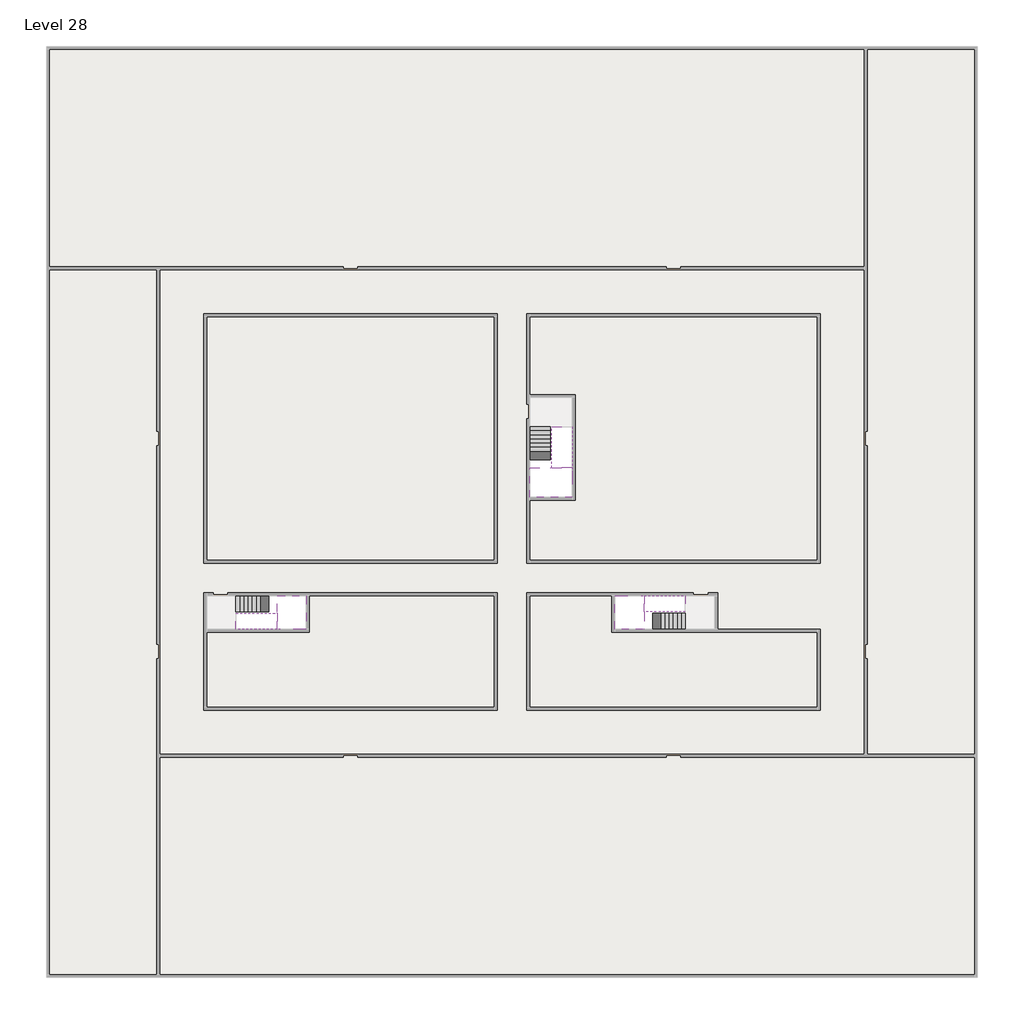
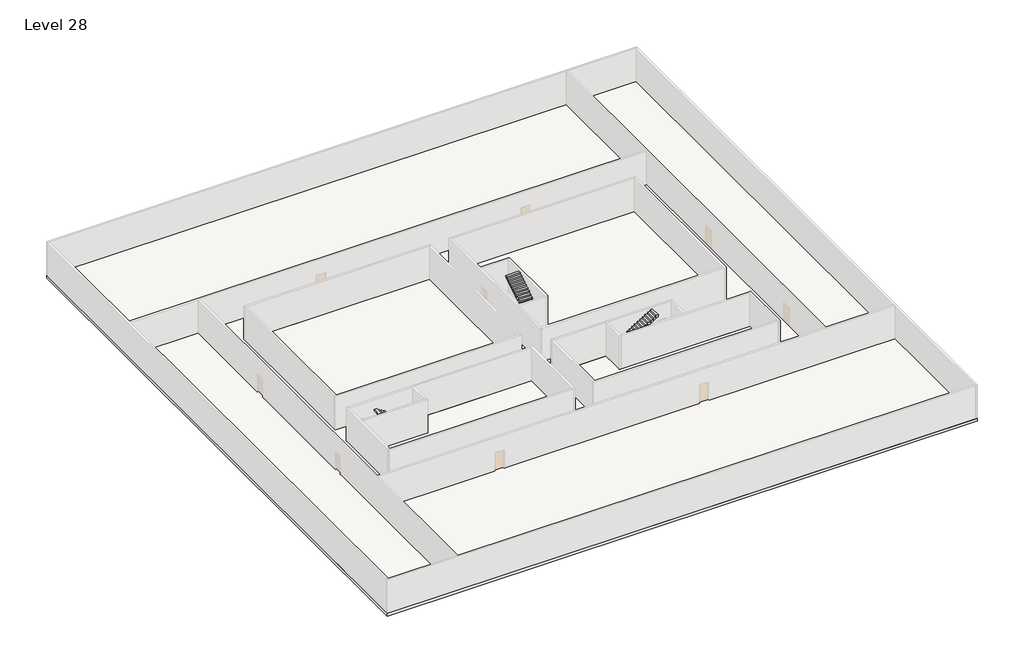
# One storey, part 2 of 2: 6 stair flights, 5 slabs.
"""IFC4 building model written with IfcOpenShell, lengths in millimetres."""

import ifcopenshell
import ifcopenshell.guid

model = None  # the IFC model being written
_history = None  # IfcOwnerHistory: only IFC2X3 demands one
_inside = {}  # id of a spatial element -> (the spatial element, [elements in it])
_under = {}  # id of a project, library or spatial element -> (it, [spatial elements below it])
_declared = {}  # id of a project -> (the project, [libraries it declares])
_typed = {}  # id of a type object -> (the type object, [elements of that type])
_made_of = {}  # id of a material, layer set ... -> (it, [elements and type objects made of it])


def new_model(schema):
    """Start an empty IFC model of exactly this schema.

    Asked for "IFC4X3", IfcOpenShell would pick the latest addendum, in which some entities
    have other attributes; the version numbers below select the first issue.
    IFC2X3 requires an IfcOwnerHistory on every rooted entity: one is made here for all.
    """
    global model, _history
    if schema == "IFC4X3":
        model = ifcopenshell.file(schema_version=(4, 3, 0, 0))
    else:
        model = ifcopenshell.file(schema=schema)
    _inside.clear()
    _under.clear()
    _declared.clear()
    _typed.clear()
    _made_of.clear()
    _history = None
    if model.schema == "IFC2X3":
        org = make("IfcOrganization", Name="unknown")
        user = make(
            "IfcPersonAndOrganization",
            ThePerson=make("IfcPerson", FamilyName="unknown"),
            TheOrganization=org,
        )
        app = make(
            "IfcApplication",
            ApplicationDeveloper=org,
            Version="unknown",
            ApplicationFullName="unknown",
            ApplicationIdentifier="unknown",
        )
        _history = make(
            "IfcOwnerHistory",
            OwningUser=user,
            OwningApplication=app,
            ChangeAction="ADDED",
            CreationDate=0,
        )
    return model


def make(cls, **values):
    """One entity of the class cls with the attributes given. An attribute that is None is left unset."""
    return model.create_entity(
        cls, **{name: value for name, value in values.items() if value is not None}
    )


def rooted(cls, **values):
    """An entity with a GlobalId (a new one), such as an element, a storey or a relation."""
    return make(cls, GlobalId=ifcopenshell.guid.new(), OwnerHistory=_history, **values)


def si_unit(unit_type, name, prefix=None):
    """IfcSIUnit, for example si_unit("LENGTHUNIT", "METRE", prefix="MILLI")."""
    return make("IfcSIUnit", UnitType=unit_type, Prefix=prefix, Name=name)


def assignment(units):
    """IfcUnitAssignment: the units of a project."""
    return None if units is None else make("IfcUnitAssignment", Units=units)


def point(xyz):
    """IfcCartesianPoint."""
    return None if xyz is None else make("IfcCartesianPoint", Coordinates=xyz)


def direction(xyz):
    """IfcDirection."""
    return None if xyz is None else make("IfcDirection", DirectionRatios=xyz)


def frame(location, z_axis=None, x_axis=None):
    """IfcAxis2Placement3D, a coordinate frame: its origin and axes. An axis left out is left unset."""
    return make(
        "IfcAxis2Placement3D",
        Location=point(location),
        Axis=direction(z_axis),
        RefDirection=direction(x_axis),
    )


def origin():
    """The frame at (0, 0, 0) with its axes left unset."""
    return frame((0.0, 0.0, 0.0))


def place(relative_to, where):
    """IfcLocalPlacement: puts the frame where relative to a parent placement (None: the world)."""
    return make(
        "IfcLocalPlacement", PlacementRelTo=relative_to, RelativePlacement=where
    )


def context(
    kind, dimensions, precision=None, world=None, true_north=None, identifier=None
):
    """IfcGeometricRepresentationContext, for example the 3D "Model" context."""
    return make(
        "IfcGeometricRepresentationContext",
        ContextIdentifier=identifier,
        ContextType=kind,
        CoordinateSpaceDimension=dimensions,
        Precision=precision,
        WorldCoordinateSystem=world,
        TrueNorth=true_north,
    )


def project(units=None, contexts=None):
    """IfcProject with its units and contexts."""
    return rooted(
        "IfcProject",
        Name="project",
        RepresentationContexts=contexts,
        UnitsInContext=assignment(units),
    )


def spatial(cls, under=None, at=None, **own):
    """A site, building, storey or space (cls), placed at a placement, below another one or the project."""
    s = rooted(cls, ObjectPlacement=at, **own)
    if under is not None:
        _under.setdefault(under.id(), (under, []))[1].append(s)
    return s


def polyline(points):
    """IfcPolyline through the points."""
    return make("IfcPolyline", Points=[point(p) for p in points])


def outline(outer, holes=None, kind="AREA"):
    """IfcArbitraryClosedProfileDef: a profile drawn as a closed curve; with holes, ...WithVoids."""
    if holes is None:
        return make("IfcArbitraryClosedProfileDef", ProfileType=kind, OuterCurve=outer)
    return make(
        "IfcArbitraryProfileDefWithVoids",
        ProfileType=kind,
        OuterCurve=outer,
        InnerCurves=holes,
    )


def extrude(swept, where, along, depth):
    """IfcExtrudedAreaSolid: the profile swept, set in the frame where, extruded along a direction by depth."""
    return make(
        "IfcExtrudedAreaSolid",
        SweptArea=swept,
        Position=where,
        ExtrudedDirection=direction(along),
        Depth=depth,
    )


def faces_of(points, faces, orient=None, outer=None):
    """IfcFace entities. A face is a list of loops; a loop is a list of indices into points, from 0.

    orient and outer hold one flag for each loop. By default every Orientation is true, the
    first loop of a face is its IfcFaceOuterBound and the others are IfcFaceBound.
    """
    made = []
    for i, loops in enumerate(faces):
        bounds = []
        for j, loop in enumerate(loops):
            is_outer = j == 0 if outer is None else outer[i][j]
            bounds.append(
                make(
                    "IfcFaceOuterBound" if is_outer else "IfcFaceBound",
                    Bound=make("IfcPolyLoop", Polygon=[points[k] for k in loop]),
                    Orientation=True if orient is None else orient[i][j],
                )
            )
        made.append(make("IfcFace", Bounds=bounds))
    return made


def faceted_brep(points, faces, orient=None, outer=None, voids=None):
    """IfcFacetedBrep: a solid bounded by flat faces; with voids (closed shells), ...WithVoids."""
    shared = [point(p) for p in points]
    hull = make("IfcClosedShell", CfsFaces=faces_of(shared, faces, orient, outer))
    if voids is None:
        return make("IfcFacetedBrep", Outer=hull)
    return make(
        "IfcFacetedBrepWithVoids",
        Outer=hull,
        Voids=[
            make(cls, CfsFaces=faces_of(shared, fs, o, b)) for cls, fs, o, b in voids
        ],
    )


def shape(context_of_items, identifier, shape_type, items):
    """IfcShapeRepresentation: the items that make up one representation, for example the "Body"."""
    return make(
        "IfcShapeRepresentation",
        ContextOfItems=context_of_items,
        RepresentationIdentifier=identifier,
        RepresentationType=shape_type,
        Items=items,
    )


def made_of(thing, what):
    """Note that an element or type object is made of a material, layer set ...; save() writes the relation."""
    if what is not None:
        _made_of.setdefault(what.id(), (what, []))[1].append(thing)
    return thing


def element(
    cls,
    number,
    at=None,
    inside=None,
    cuts=None,
    type_object=None,
    material=None,
    context=None,
    identifier="Body",
    shape_type=None,
    held_by="IfcProductDefinitionShape",
    body=None,
    shapes=None,
    **own,
):
    """One element of the class cls, such as IfcWall. Its Tag is "e" and its number.

    at: its placement. inside: the storey or other place that contains it. cuts: it is an
    opening in that element (IfcRelVoidsElement). A single representation is given by context,
    identifier, shape_type and body (its items); several are given by shapes. held_by: the class
    of the entity that holds the representations. save() writes the other relations.
    """
    e = rooted(cls, Tag="e%d" % number, ObjectPlacement=at, **own)
    if body is not None:
        shapes = [shape(context, identifier, shape_type, body)]
    if shapes is not None:
        e.Representation = make(held_by, Representations=shapes)
    if inside is not None:
        _inside.setdefault(inside.id(), (inside, []))[1].append(e)
    if cuts is not None:
        rooted(
            "IfcRelVoidsElement", RelatingBuildingElement=cuts, RelatedOpeningElement=e
        )
    if type_object is not None:
        _typed.setdefault(type_object.id(), (type_object, []))[1].append(e)
    return made_of(e, material)


def aggregate(whole, parts):
    """IfcRelAggregates: a whole, such as a stair, and the parts it consists of."""
    return rooted("IfcRelAggregates", RelatingObject=whole, RelatedObjects=parts)


def save(model, path):
    """Write the relations noted so far, then the file.

    IfcRelAggregates (storeys below a building ...), IfcRelContainedInSpatialStructure (elements
    in a storey), IfcRelDefinesByType, IfcRelAssociatesMaterial and IfcRelDeclares: one each for
    every whole, place, type object, material and project.
    """
    for whole, parts in _under.values():
        aggregate(whole, parts)
    for where, things in _inside.values():
        rooted(
            "IfcRelContainedInSpatialStructure",
            RelatedElements=things,
            RelatingStructure=where,
        )
    for kind, things in _typed.values():
        rooted("IfcRelDefinesByType", RelatedObjects=things, RelatingType=kind)
    for what, things in _made_of.values():
        rooted("IfcRelAssociatesMaterial", RelatedObjects=things, RelatingMaterial=what)
    for by, libraries in _declared.values():
        rooted("IfcRelDeclares", RelatingContext=by, RelatedDefinitions=libraries)
    model.write(path)


model = new_model("IFC4")

# Units and contexts
model_context = context("Model", 3, world=origin())
ifc_project = project(units=[si_unit("LENGTHUNIT", "METRE", prefix="MILLI")], contexts=[model_context])

# Site, building, storey
site = spatial("IfcSite", under=ifc_project)
building = spatial("IfcBuilding", under=site)
storey = spatial("IfcBuildingStorey", under=building, Name="Level 28", Elevation=102600.0)

# Slabs
placement = place(None, origin())
element("IfcSlab", 1, at=placement, inside=storey, context=model_context, shape_type="Brep", body=[
    faceted_brep([(8190.1058784, -42918.09644, 104500.0), (8190.1058784, -44018.09644, 104500.0), (8190.1058784, -44118.09644, 104500.0), (8190.1058784, -45218.09644, 104500.0), (8390.7194421, -45218.09644, 104500.0), (10190.1058784, -45218.09644, 104500.0), (10190.1058784, -42918.09644, 104500.0), (8269.4923146, -42918.09644, 104500.0), (8190.1058784, -42918.09644, 104327.2727273), (8190.1058784, -42918.09644, 104151.0278478), (8190.1058784, -44018.09644, 104151.0278478), (8190.1058784, -44018.09644, 104200.0), (8190.1058784, -44118.09644, 104200.0), (8190.1058784, -44118.09644, 104323.7551205), (8190.1058784, -45218.09644, 104323.7551205), (8390.7194421, -45218.09644, 104200.0), (10190.1058784, -45218.09644, 104200.0), (10190.1058784, -42918.09644, 104200.0), (8269.4923146, -42918.09644, 104200.0), (8390.7194421, -44118.09644, 104200.0), (8269.4923146, -44018.09644, 104200.0)], [[[0, 1, 2, 3, 4, 5, 6, 7]], [[1, 0, 8, 9, 10, 11]], [[2, 1, 11, 12, 13]], [[3, 2, 13, 14]], [[3, 14, 15, 16, 5, 4]], [[6, 5, 16, 17]], [[9, 8, 0, 7, 6, 17, 18]], [[19, 12, 11, 20, 18, 17, 16, 15]], [[12, 19, 13]], [[18, 20, 10, 9]], [[20, 11, 10]], [[19, 15, 14, 13]]]),
])
element("IfcSlab", 2, at=placement, inside=storey, context=model_context, shape_type="Brep", body=[
    faceted_brep([(33190.1058784, -45218.09644, 104500.0), (33190.1058784, -44118.09644, 104500.0), (33190.1058784, -44018.09644, 104500.0), (33190.1058784, -42918.09644, 104500.0), (32989.4923146, -42918.09644, 104500.0), (31190.1058784, -42918.09644, 104500.0), (31190.1058784, -45218.09644, 104500.0), (33110.7194421, -45218.09644, 104500.0), (33190.1058784, -45218.09644, 104327.2727273), (33190.1058784, -45218.09644, 104151.0278478), (33190.1058784, -44118.09644, 104151.0278478), (33190.1058784, -44118.09644, 104200.0), (33190.1058784, -44018.09644, 104200.0), (33190.1058784, -44018.09644, 104323.7551205), (33190.1058784, -42918.09644, 104323.7551205), (32989.4923146, -42918.09644, 104200.0), (31190.1058784, -42918.09644, 104200.0), (31190.1058784, -45218.09644, 104200.0), (33110.7194421, -45218.09644, 104200.0), (32989.4923146, -44018.09644, 104200.0), (33110.7194421, -44118.09644, 104200.0)], [[[0, 1, 2, 3, 4, 5, 6, 7]], [[1, 0, 8, 9, 10, 11]], [[2, 1, 11, 12, 13]], [[3, 2, 13, 14]], [[3, 14, 15, 16, 5, 4]], [[6, 5, 16, 17]], [[9, 8, 0, 7, 6, 17, 18]], [[19, 12, 11, 20, 18, 17, 16, 15]], [[12, 19, 13]], [[18, 20, 10, 9]], [[20, 11, 10]], [[19, 15, 14, 13]]]),
])
element("IfcSlab", 3, at=placement, inside=storey, context=model_context, shape_type="Brep", body=[
    faceted_brep([(26790.1058784, -34218.09644, 104500.0), (25390.1058784, -34218.09644, 104500.0), (25390.1058784, -34297.4828763, 104500.0), (25390.1058784, -36218.09644, 104500.0), (28290.1058784, -36218.09644, 104500.0), (28290.1058784, -34418.7100038, 104500.0), (28290.1058784, -34218.09644, 104500.0), (26890.1058784, -34218.09644, 104500.0), (26790.1058784, -34218.09644, 104200.0), (26790.1058784, -34218.09644, 104151.0278478), (25390.1058784, -34218.09644, 104151.0278478), (25390.1058784, -34218.09644, 104327.2727273), (25390.1058784, -34297.4828763, 104200.0), (25390.1058784, -36218.09644, 104200.0), (28290.1058784, -36218.09644, 104200.0), (28290.1058784, -34418.7100038, 104200.0), (28290.1058784, -34218.09644, 104323.7551205), (26890.1058784, -34218.09644, 104323.7551205), (26890.1058784, -34218.09644, 104200.0), (26890.1058784, -34418.7100038, 104200.0), (26790.1058784, -34297.4828763, 104200.0)], [[[0, 1, 2, 3, 4, 5, 6, 7]], [[1, 0, 8, 9, 10, 11]], [[1, 11, 10, 12, 13, 3, 2]], [[4, 3, 13, 14]], [[4, 14, 15, 16, 6, 5]], [[7, 6, 16, 17]], [[0, 7, 17, 18, 8]], [[18, 19, 15, 14, 13, 12, 20, 8]], [[19, 18, 17]], [[20, 12, 10, 9]], [[8, 20, 9]], [[15, 19, 17, 16]]]),
])
element("IfcSlab", 4, at=placement, inside=storey, context=model_context, shape_type="SweptSolid", body=[
    extrude(outline(polyline([(55890.1058784, -5518.09644), (55890.1058784, -68918.09644), (-7509.8941216, -68918.09644), (-7509.8941216, -5518.09644), (55890.1058784, -5518.09644)]), holes=[polyline([(22990.1058784, -23918.09644), (3390.1058784, -23918.09644), (3390.1058784, -40518.09644), (22990.1058784, -40518.09644), (22990.1058784, -23918.09644)]), polyline([(44990.1058784, -23918.09644), (25390.1058784, -23918.09644), (25390.1058784, -40518.09644), (44990.1058784, -40518.09644), (44990.1058784, -23918.09644)]), polyline([(37990.1058784, -42918.09644), (25390.1058784, -42918.09644), (25390.1058784, -50518.09644), (44990.1058784, -50518.09644), (44990.1058784, -45418.09644), (37990.1058784, -45418.09644), (37990.1058784, -42918.09644)]), polyline([(22990.1058784, -42918.09644), (3390.1058784, -42918.09644), (3390.1058784, -50518.09644), (22990.1058784, -50518.09644), (22990.1058784, -42918.09644)])]), frame((0.0, 0.0, 102300.0), z_axis=(0.0, 0.0, 1.0), x_axis=(1.0, 0.0, 0.0)), (0.0, 0.0, 1.0), 300.0),
])
element("IfcSlab", 5, at=placement, inside=storey, context=model_context, shape_type="SweptSolid", body=[
    extrude(outline(polyline([(22990.1058784, -23918.09644), (22990.1058784, -40518.09644), (3390.1058784, -40518.09644), (3390.1058784, -23918.09644), (22990.1058784, -23918.09644)])), frame((0.0, 0.0, 102300.0), z_axis=(0.0, 0.0, 1.0), x_axis=(1.0, 0.0, 0.0)), (0.0, 0.0, 1.0), 300.0),
    extrude(outline(polyline([(44990.1058784, -23918.09644), (44990.1058784, -40518.09644), (25390.1058784, -40518.09644), (25390.1058784, -36418.09644), (28490.1058784, -36418.09644), (28490.1058784, -29218.09644), (25390.1058784, -29218.09644), (25390.1058784, -23918.09644), (44990.1058784, -23918.09644)])), frame((0.0, 0.0, 102300.0), z_axis=(0.0, 0.0, 1.0), x_axis=(1.0, 0.0, 0.0)), (0.0, 0.0, 1.0), 300.0),
    extrude(outline(polyline([(22990.1058784, -42918.09644), (22990.1058784, -50518.09644), (3390.1058784, -50518.09644), (3390.1058784, -45418.09644), (10390.1058784, -45418.09644), (10390.1058784, -42918.09644), (22990.1058784, -42918.09644)])), frame((0.0, 0.0, 102300.0), z_axis=(0.0, 0.0, 1.0), x_axis=(1.0, 0.0, 0.0)), (0.0, 0.0, 1.0), 300.0),
    extrude(outline(polyline([(30990.1058784, -42918.09644), (30990.1058784, -45418.09644), (44990.1058784, -45418.09644), (44990.1058784, -50518.09644), (25390.1058784, -50518.09644), (25390.1058784, -42918.09644), (30990.1058784, -42918.09644)])), frame((0.0, 0.0, 102300.0), z_axis=(0.0, 0.0, 1.0), x_axis=(1.0, 0.0, 0.0)), (0.0, 0.0, 1.0), 300.0),
])

# Stair flights
element("IfcStairFlight", 6, at=placement, inside=storey, context=model_context, shape_type="Brep", body=[
    faceted_brep([(5670.1058784, -42918.09644, 102772.7272727), (5390.1058784, -42918.09644, 102772.7272727), (5390.1058784, -44018.09644, 102772.7272727), (5670.1058784, -44018.09644, 102772.7272727), (5670.1058784, -42918.09644, 102600.0), (5390.1058784, -42918.09644, 102600.0), (5390.1058784, -44018.09644, 102600.0), (5670.1058784, -44018.09644, 102600.0), (5950.1058784, -42918.09644, 102945.4545455), (5670.1058784, -42918.09644, 102945.4545455), (5670.1058784, -44018.09644, 102945.4545455), (5950.1058784, -44018.09644, 102945.4545455), (5950.1058784, -42918.09644, 102769.209666), (5675.8081041, -42918.09644, 102600.0), (5675.8081041, -44018.09644, 102600.0), (5950.1058784, -44018.09644, 102769.209666), (6230.1058784, -42918.09644, 103118.1818182), (5950.1058784, -42918.09644, 103118.1818182), (5950.1058784, -44018.09644, 103118.1818182), (6230.1058784, -44018.09644, 103118.1818182), (6230.1058784, -42918.09644, 102941.9369387), (6230.1058784, -44018.09644, 102941.9369387), (6510.1058784, -42918.09644, 103290.9090909), (6230.1058784, -42918.09644, 103290.9090909), (6230.1058784, -44018.09644, 103290.9090909), (6510.1058784, -44018.09644, 103290.9090909), (6510.1058784, -42918.09644, 103114.6642114), (6510.1058784, -44018.09644, 103114.6642114), (6790.1058784, -42918.09644, 103463.6363636), (6510.1058784, -42918.09644, 103463.6363636), (6510.1058784, -44018.09644, 103463.6363636), (6790.1058784, -44018.09644, 103463.6363636), (6790.1058784, -42918.09644, 103287.3914841), (6790.1058784, -44018.09644, 103287.3914841), (7070.1058784, -42918.09644, 103636.3636364), (6790.1058784, -42918.09644, 103636.3636364), (6790.1058784, -44018.09644, 103636.3636364), (7070.1058784, -44018.09644, 103636.3636364), (7070.1058784, -42918.09644, 103460.1187569), (7070.1058784, -44018.09644, 103460.1187569), (7350.1058784, -42918.09644, 103809.0909091), (7070.1058784, -42918.09644, 103809.0909091), (7070.1058784, -44018.09644, 103809.0909091), (7350.1058784, -44018.09644, 103809.0909091), (7350.1058784, -42918.09644, 103632.8460296), (7350.1058784, -44018.09644, 103632.8460296), (7630.1058784, -42918.09644, 103981.8181818), (7350.1058784, -42918.09644, 103981.8181818), (7350.1058784, -44018.09644, 103981.8181818), (7630.1058784, -44018.09644, 103981.8181818), (7630.1058784, -42918.09644, 103805.5733023), (7630.1058784, -44018.09644, 103805.5733023), (7910.1058784, -42918.09644, 104154.5454545), (7630.1058784, -42918.09644, 104154.5454545), (7630.1058784, -44018.09644, 104154.5454545), (7910.1058784, -44018.09644, 104154.5454545), (7910.1058784, -42918.09644, 103978.3005751), (7910.1058784, -44018.09644, 103978.3005751), (8190.1058784, -42918.09644, 104327.2727273), (7910.1058784, -42918.09644, 104327.2727273), (7910.1058784, -44018.09644, 104327.2727273), (8190.1058784, -44018.09644, 104327.2727273), (8190.1058784, -42918.09644, 104151.0278478), (8190.1058784, -44018.09644, 104151.0278478), (8190.1058784, -44018.09644, 104200.0)], [[[0, 1, 2, 3]], [[1, 0, 4, 5]], [[2, 1, 5, 6]], [[3, 2, 6, 7]], [[8, 9, 10, 11]], [[4, 0, 9, 8, 12, 13]], [[0, 3, 10, 9]], [[3, 7, 14, 15, 11, 10]], [[16, 17, 18, 19]], [[17, 16, 20, 12, 8]], [[8, 11, 18, 17]], [[19, 18, 11, 15, 21]], [[22, 23, 24, 25]], [[23, 22, 26, 20, 16]], [[16, 19, 24, 23]], [[25, 24, 19, 21, 27]], [[28, 29, 30, 31]], [[29, 28, 32, 26, 22]], [[22, 25, 30, 29]], [[31, 30, 25, 27, 33]], [[34, 35, 36, 37]], [[35, 34, 38, 32, 28]], [[28, 31, 36, 35]], [[37, 36, 31, 33, 39]], [[40, 41, 42, 43]], [[41, 40, 44, 38, 34]], [[34, 37, 42, 41]], [[43, 42, 37, 39, 45]], [[46, 47, 48, 49]], [[47, 46, 50, 44, 40]], [[40, 43, 48, 47]], [[49, 48, 43, 45, 51]], [[52, 53, 54, 55]], [[53, 52, 56, 50, 46]], [[46, 49, 54, 53]], [[55, 54, 49, 51, 57]], [[58, 59, 60, 61]], [[59, 58, 62, 56, 52]], [[52, 55, 60, 59]], [[61, 60, 55, 57, 63, 64]], [[58, 61, 64, 63, 62]], [[5, 4, 13, 14, 7, 6]], [[14, 13, 12, 20, 26, 32, 38, 44, 50, 56, 62, 63, 57, 51, 45, 39, 33, 27, 21, 15]]]),
])
element("IfcStairFlight", 7, at=placement, inside=storey, context=model_context, shape_type="Brep", body=[
    faceted_brep([(7910.1058784, -45218.09644, 104672.7272727), (8190.1058784, -45218.09644, 104672.7272727), (8190.1058784, -44118.09644, 104672.7272727), (7910.1058784, -44118.09644, 104672.7272727), (7910.1058784, -45218.09644, 104496.4823932), (8190.1058784, -45218.09644, 104323.7551205), (8190.1058784, -45218.09644, 104500.0), (8190.1058784, -44118.09644, 104323.7551205), (7910.1058784, -44118.09644, 104496.4823932), (7630.1058784, -45218.09644, 104845.4545455), (7910.1058784, -45218.09644, 104845.4545455), (7910.1058784, -44118.09644, 104845.4545455), (7630.1058784, -44118.09644, 104845.4545455), (7630.1058784, -45218.09644, 104669.209666), (7630.1058784, -44118.09644, 104669.209666), (7350.1058784, -45218.09644, 105018.1818182), (7630.1058784, -45218.09644, 105018.1818182), (7630.1058784, -44118.09644, 105018.1818182), (7350.1058784, -44118.09644, 105018.1818182), (7350.1058784, -45218.09644, 104841.9369387), (7350.1058784, -44118.09644, 104841.9369387), (7070.1058784, -45218.09644, 105190.9090909), (7350.1058784, -45218.09644, 105190.9090909), (7350.1058784, -44118.09644, 105190.9090909), (7070.1058784, -44118.09644, 105190.9090909), (7070.1058784, -45218.09644, 105014.6642114), (7070.1058784, -44118.09644, 105014.6642114), (6790.1058784, -45218.09644, 105363.6363636), (7070.1058784, -45218.09644, 105363.6363636), (7070.1058784, -44118.09644, 105363.6363636), (6790.1058784, -44118.09644, 105363.6363636), (6790.1058784, -45218.09644, 105187.3914841), (6790.1058784, -44118.09644, 105187.3914841), (6510.1058784, -45218.09644, 105536.3636364), (6790.1058784, -45218.09644, 105536.3636364), (6790.1058784, -44118.09644, 105536.3636364), (6510.1058784, -44118.09644, 105536.3636364), (6510.1058784, -45218.09644, 105360.1187569), (6510.1058784, -44118.09644, 105360.1187569), (6230.1058784, -45218.09644, 105709.0909091), (6510.1058784, -45218.09644, 105709.0909091), (6510.1058784, -44118.09644, 105709.0909091), (6230.1058784, -44118.09644, 105709.0909091), (6230.1058784, -45218.09644, 105532.8460296), (6230.1058784, -44118.09644, 105532.8460296), (5950.1058784, -45218.09644, 105881.8181818), (6230.1058784, -45218.09644, 105881.8181818), (6230.1058784, -44118.09644, 105881.8181818), (5950.1058784, -44118.09644, 105881.8181818), (5950.1058784, -45218.09644, 105705.5733023), (5950.1058784, -44118.09644, 105705.5733023), (5670.1058784, -45218.09644, 106054.5454545), (5950.1058784, -45218.09644, 106054.5454545), (5950.1058784, -44118.09644, 106054.5454545), (5670.1058784, -44118.09644, 106054.5454545), (5670.1058784, -45218.09644, 105878.3005751), (5670.1058784, -44118.09644, 105878.3005751), (5390.1058784, -45218.09644, 106227.2727273), (5670.1058784, -45218.09644, 106227.2727273), (5670.1058784, -44118.09644, 106227.2727273), (5390.1058784, -44118.09644, 106227.2727273), (5390.1058784, -45218.09644, 106051.0278478), (5390.1058784, -44118.09644, 106051.0278478)], [[[0, 1, 2, 3]], [[1, 0, 4, 5, 6]], [[2, 1, 6, 5, 7]], [[3, 2, 7, 8]], [[9, 10, 11, 12]], [[10, 9, 13, 4, 0]], [[11, 10, 0, 3]], [[12, 11, 3, 8, 14]], [[15, 16, 17, 18]], [[16, 15, 19, 13, 9]], [[17, 16, 9, 12]], [[18, 17, 12, 14, 20]], [[21, 22, 23, 24]], [[22, 21, 25, 19, 15]], [[23, 22, 15, 18]], [[24, 23, 18, 20, 26]], [[27, 28, 29, 30]], [[28, 27, 31, 25, 21]], [[29, 28, 21, 24]], [[30, 29, 24, 26, 32]], [[33, 34, 35, 36]], [[34, 33, 37, 31, 27]], [[35, 34, 27, 30]], [[36, 35, 30, 32, 38]], [[39, 40, 41, 42]], [[40, 39, 43, 37, 33]], [[41, 40, 33, 36]], [[42, 41, 36, 38, 44]], [[45, 46, 47, 48]], [[46, 45, 49, 43, 39]], [[47, 46, 39, 42]], [[48, 47, 42, 44, 50]], [[51, 52, 53, 54]], [[52, 51, 55, 49, 45]], [[53, 52, 45, 48]], [[54, 53, 48, 50, 56]], [[57, 58, 59, 60]], [[58, 57, 61, 55, 51]], [[59, 58, 51, 54]], [[60, 59, 54, 56, 62]], [[57, 60, 62, 61]], [[5, 4, 13, 19, 25, 31, 37, 43, 49, 55, 61, 62, 56, 50, 44, 38, 32, 26, 20, 14, 8, 7]]]),
])
element("IfcStairFlight", 8, at=placement, inside=storey, context=model_context, shape_type="Brep", body=[
    faceted_brep([(35710.1058784, -45218.09644, 102772.7272727), (35990.1058784, -45218.09644, 102772.7272727), (35990.1058784, -44118.09644, 102772.7272727), (35710.1058784, -44118.09644, 102772.7272727), (35710.1058784, -45218.09644, 102600.0), (35990.1058784, -45218.09644, 102600.0), (35990.1058784, -44118.09644, 102600.0), (35710.1058784, -44118.09644, 102600.0), (35430.1058784, -45218.09644, 102945.4545455), (35710.1058784, -45218.09644, 102945.4545455), (35710.1058784, -44118.09644, 102945.4545455), (35430.1058784, -44118.09644, 102945.4545455), (35430.1058784, -45218.09644, 102769.209666), (35704.4036527, -45218.09644, 102600.0), (35704.4036527, -44118.09644, 102600.0), (35430.1058784, -44118.09644, 102769.209666), (35150.1058784, -45218.09644, 103118.1818182), (35430.1058784, -45218.09644, 103118.1818182), (35430.1058784, -44118.09644, 103118.1818182), (35150.1058784, -44118.09644, 103118.1818182), (35150.1058784, -45218.09644, 102941.9369387), (35150.1058784, -44118.09644, 102941.9369387), (34870.1058784, -45218.09644, 103290.9090909), (35150.1058784, -45218.09644, 103290.9090909), (35150.1058784, -44118.09644, 103290.9090909), (34870.1058784, -44118.09644, 103290.9090909), (34870.1058784, -45218.09644, 103114.6642114), (34870.1058784, -44118.09644, 103114.6642114), (34590.1058784, -45218.09644, 103463.6363636), (34870.1058784, -45218.09644, 103463.6363636), (34870.1058784, -44118.09644, 103463.6363636), (34590.1058784, -44118.09644, 103463.6363636), (34590.1058784, -45218.09644, 103287.3914841), (34590.1058784, -44118.09644, 103287.3914841), (34310.1058784, -45218.09644, 103636.3636364), (34590.1058784, -45218.09644, 103636.3636364), (34590.1058784, -44118.09644, 103636.3636364), (34310.1058784, -44118.09644, 103636.3636364), (34310.1058784, -45218.09644, 103460.1187569), (34310.1058784, -44118.09644, 103460.1187569), (34030.1058784, -45218.09644, 103809.0909091), (34310.1058784, -45218.09644, 103809.0909091), (34310.1058784, -44118.09644, 103809.0909091), (34030.1058784, -44118.09644, 103809.0909091), (34030.1058784, -45218.09644, 103632.8460296), (34030.1058784, -44118.09644, 103632.8460296), (33750.1058784, -45218.09644, 103981.8181818), (34030.1058784, -45218.09644, 103981.8181818), (34030.1058784, -44118.09644, 103981.8181818), (33750.1058784, -44118.09644, 103981.8181818), (33750.1058784, -45218.09644, 103805.5733023), (33750.1058784, -44118.09644, 103805.5733023), (33470.1058784, -45218.09644, 104154.5454545), (33750.1058784, -45218.09644, 104154.5454545), (33750.1058784, -44118.09644, 104154.5454545), (33470.1058784, -44118.09644, 104154.5454545), (33470.1058784, -45218.09644, 103978.3005751), (33470.1058784, -44118.09644, 103978.3005751), (33190.1058784, -45218.09644, 104327.2727273), (33470.1058784, -45218.09644, 104327.2727273), (33470.1058784, -44118.09644, 104327.2727273), (33190.1058784, -44118.09644, 104327.2727273), (33190.1058784, -45218.09644, 104151.0278478), (33190.1058784, -44118.09644, 104151.0278478), (33190.1058784, -44118.09644, 104200.0)], [[[0, 1, 2, 3]], [[1, 0, 4, 5]], [[2, 1, 5, 6]], [[3, 2, 6, 7]], [[8, 9, 10, 11]], [[4, 0, 9, 8, 12, 13]], [[0, 3, 10, 9]], [[3, 7, 14, 15, 11, 10]], [[16, 17, 18, 19]], [[17, 16, 20, 12, 8]], [[8, 11, 18, 17]], [[19, 18, 11, 15, 21]], [[22, 23, 24, 25]], [[23, 22, 26, 20, 16]], [[16, 19, 24, 23]], [[25, 24, 19, 21, 27]], [[28, 29, 30, 31]], [[29, 28, 32, 26, 22]], [[22, 25, 30, 29]], [[31, 30, 25, 27, 33]], [[34, 35, 36, 37]], [[35, 34, 38, 32, 28]], [[28, 31, 36, 35]], [[37, 36, 31, 33, 39]], [[40, 41, 42, 43]], [[41, 40, 44, 38, 34]], [[34, 37, 42, 41]], [[43, 42, 37, 39, 45]], [[46, 47, 48, 49]], [[47, 46, 50, 44, 40]], [[40, 43, 48, 47]], [[49, 48, 43, 45, 51]], [[52, 53, 54, 55]], [[53, 52, 56, 50, 46]], [[46, 49, 54, 53]], [[55, 54, 49, 51, 57]], [[58, 59, 60, 61]], [[59, 58, 62, 56, 52]], [[52, 55, 60, 59]], [[61, 60, 55, 57, 63, 64]], [[58, 61, 64, 63, 62]], [[5, 4, 13, 14, 7, 6]], [[14, 13, 12, 20, 26, 32, 38, 44, 50, 56, 62, 63, 57, 51, 45, 39, 33, 27, 21, 15]]]),
])
element("IfcStairFlight", 9, at=placement, inside=storey, context=model_context, shape_type="Brep", body=[
    faceted_brep([(33470.1058784, -42918.09644, 104672.7272727), (33190.1058784, -42918.09644, 104672.7272727), (33190.1058784, -44018.09644, 104672.7272727), (33470.1058784, -44018.09644, 104672.7272727), (33470.1058784, -42918.09644, 104496.4823932), (33190.1058784, -42918.09644, 104323.7551205), (33190.1058784, -42918.09644, 104500.0), (33190.1058784, -44018.09644, 104323.7551205), (33470.1058784, -44018.09644, 104496.4823932), (33750.1058784, -42918.09644, 104845.4545455), (33470.1058784, -42918.09644, 104845.4545455), (33470.1058784, -44018.09644, 104845.4545455), (33750.1058784, -44018.09644, 104845.4545455), (33750.1058784, -42918.09644, 104669.209666), (33750.1058784, -44018.09644, 104669.209666), (34030.1058784, -42918.09644, 105018.1818182), (33750.1058784, -42918.09644, 105018.1818182), (33750.1058784, -44018.09644, 105018.1818182), (34030.1058784, -44018.09644, 105018.1818182), (34030.1058784, -42918.09644, 104841.9369387), (34030.1058784, -44018.09644, 104841.9369387), (34310.1058784, -42918.09644, 105190.9090909), (34030.1058784, -42918.09644, 105190.9090909), (34030.1058784, -44018.09644, 105190.9090909), (34310.1058784, -44018.09644, 105190.9090909), (34310.1058784, -42918.09644, 105014.6642114), (34310.1058784, -44018.09644, 105014.6642114), (34590.1058784, -42918.09644, 105363.6363636), (34310.1058784, -42918.09644, 105363.6363636), (34310.1058784, -44018.09644, 105363.6363636), (34590.1058784, -44018.09644, 105363.6363636), (34590.1058784, -42918.09644, 105187.3914841), (34590.1058784, -44018.09644, 105187.3914841), (34870.1058784, -42918.09644, 105536.3636364), (34590.1058784, -42918.09644, 105536.3636364), (34590.1058784, -44018.09644, 105536.3636364), (34870.1058784, -44018.09644, 105536.3636364), (34870.1058784, -42918.09644, 105360.1187569), (34870.1058784, -44018.09644, 105360.1187569), (35150.1058784, -42918.09644, 105709.0909091), (34870.1058784, -42918.09644, 105709.0909091), (34870.1058784, -44018.09644, 105709.0909091), (35150.1058784, -44018.09644, 105709.0909091), (35150.1058784, -42918.09644, 105532.8460296), (35150.1058784, -44018.09644, 105532.8460296), (35430.1058784, -42918.09644, 105881.8181818), (35150.1058784, -42918.09644, 105881.8181818), (35150.1058784, -44018.09644, 105881.8181818), (35430.1058784, -44018.09644, 105881.8181818), (35430.1058784, -42918.09644, 105705.5733023), (35430.1058784, -44018.09644, 105705.5733023), (35710.1058784, -42918.09644, 106054.5454545), (35430.1058784, -42918.09644, 106054.5454545), (35430.1058784, -44018.09644, 106054.5454545), (35710.1058784, -44018.09644, 106054.5454545), (35710.1058784, -42918.09644, 105878.3005751), (35710.1058784, -44018.09644, 105878.3005751), (35990.1058784, -42918.09644, 106227.2727273), (35710.1058784, -42918.09644, 106227.2727273), (35710.1058784, -44018.09644, 106227.2727273), (35990.1058784, -44018.09644, 106227.2727273), (35990.1058784, -42918.09644, 106051.0278478), (35990.1058784, -44018.09644, 106051.0278478)], [[[0, 1, 2, 3]], [[1, 0, 4, 5, 6]], [[2, 1, 6, 5, 7]], [[3, 2, 7, 8]], [[9, 10, 11, 12]], [[10, 9, 13, 4, 0]], [[11, 10, 0, 3]], [[12, 11, 3, 8, 14]], [[15, 16, 17, 18]], [[16, 15, 19, 13, 9]], [[17, 16, 9, 12]], [[18, 17, 12, 14, 20]], [[21, 22, 23, 24]], [[22, 21, 25, 19, 15]], [[23, 22, 15, 18]], [[24, 23, 18, 20, 26]], [[27, 28, 29, 30]], [[28, 27, 31, 25, 21]], [[29, 28, 21, 24]], [[30, 29, 24, 26, 32]], [[33, 34, 35, 36]], [[34, 33, 37, 31, 27]], [[35, 34, 27, 30]], [[36, 35, 30, 32, 38]], [[39, 40, 41, 42]], [[40, 39, 43, 37, 33]], [[41, 40, 33, 36]], [[42, 41, 36, 38, 44]], [[45, 46, 47, 48]], [[46, 45, 49, 43, 39]], [[47, 46, 39, 42]], [[48, 47, 42, 44, 50]], [[51, 52, 53, 54]], [[52, 51, 55, 49, 45]], [[53, 52, 45, 48]], [[54, 53, 48, 50, 56]], [[57, 58, 59, 60]], [[58, 57, 61, 55, 51]], [[59, 58, 51, 54]], [[60, 59, 54, 56, 62]], [[57, 60, 62, 61]], [[5, 4, 13, 19, 25, 31, 37, 43, 49, 55, 61, 62, 56, 50, 44, 38, 32, 26, 20, 14, 8, 7]]]),
])
element("IfcStairFlight", 10, at=placement, inside=storey, context=model_context, shape_type="Brep", body=[
    faceted_brep([(26790.1058784, -31698.09644, 102772.7272727), (26790.1058784, -31418.09644, 102772.7272727), (25390.1058784, -31418.09644, 102772.7272727), (25390.1058784, -31698.09644, 102772.7272727), (26790.1058784, -31698.09644, 102600.0), (26790.1058784, -31418.09644, 102600.0), (25390.1058784, -31418.09644, 102600.0), (25390.1058784, -31698.09644, 102600.0), (26790.1058784, -31978.09644, 102945.4545455), (26790.1058784, -31698.09644, 102945.4545455), (25390.1058784, -31698.09644, 102945.4545455), (25390.1058784, -31978.09644, 102945.4545455), (26790.1058784, -31978.09644, 102769.209666), (26790.1058784, -31703.7986657, 102600.0), (25390.1058784, -31703.7986657, 102600.0), (25390.1058784, -31978.09644, 102769.209666), (26790.1058784, -32258.09644, 103118.1818182), (26790.1058784, -31978.09644, 103118.1818182), (25390.1058784, -31978.09644, 103118.1818182), (25390.1058784, -32258.09644, 103118.1818182), (26790.1058784, -32258.09644, 102941.9369387), (25390.1058784, -32258.09644, 102941.9369387), (26790.1058784, -32538.09644, 103290.9090909), (26790.1058784, -32258.09644, 103290.9090909), (25390.1058784, -32258.09644, 103290.9090909), (25390.1058784, -32538.09644, 103290.9090909), (26790.1058784, -32538.09644, 103114.6642114), (25390.1058784, -32538.09644, 103114.6642114), (26790.1058784, -32818.09644, 103463.6363636), (26790.1058784, -32538.09644, 103463.6363636), (25390.1058784, -32538.09644, 103463.6363636), (25390.1058784, -32818.09644, 103463.6363636), (26790.1058784, -32818.09644, 103287.3914841), (25390.1058784, -32818.09644, 103287.3914841), (26790.1058784, -33098.09644, 103636.3636364), (26790.1058784, -32818.09644, 103636.3636364), (25390.1058784, -32818.09644, 103636.3636364), (25390.1058784, -33098.09644, 103636.3636364), (26790.1058784, -33098.09644, 103460.1187569), (25390.1058784, -33098.09644, 103460.1187569), (26790.1058784, -33378.09644, 103809.0909091), (26790.1058784, -33098.09644, 103809.0909091), (25390.1058784, -33098.09644, 103809.0909091), (25390.1058784, -33378.09644, 103809.0909091), (26790.1058784, -33378.09644, 103632.8460296), (25390.1058784, -33378.09644, 103632.8460296), (26790.1058784, -33658.09644, 103981.8181818), (26790.1058784, -33378.09644, 103981.8181818), (25390.1058784, -33378.09644, 103981.8181818), (25390.1058784, -33658.09644, 103981.8181818), (26790.1058784, -33658.09644, 103805.5733023), (25390.1058784, -33658.09644, 103805.5733023), (26790.1058784, -33938.09644, 104154.5454545), (26790.1058784, -33658.09644, 104154.5454545), (25390.1058784, -33658.09644, 104154.5454545), (25390.1058784, -33938.09644, 104154.5454545), (26790.1058784, -33938.09644, 103978.3005751), (25390.1058784, -33938.09644, 103978.3005751), (26790.1058784, -34218.09644, 104327.2727273), (26790.1058784, -33938.09644, 104327.2727273), (25390.1058784, -33938.09644, 104327.2727273), (25390.1058784, -34218.09644, 104327.2727273), (26790.1058784, -34218.09644, 104200.0), (26790.1058784, -34218.09644, 104151.0278478), (25390.1058784, -34218.09644, 104151.0278478)], [[[0, 1, 2, 3]], [[1, 0, 4, 5]], [[2, 1, 5, 6]], [[3, 2, 6, 7]], [[8, 9, 10, 11]], [[4, 0, 9, 8, 12, 13]], [[0, 3, 10, 9]], [[3, 7, 14, 15, 11, 10]], [[16, 17, 18, 19]], [[17, 16, 20, 12, 8]], [[8, 11, 18, 17]], [[19, 18, 11, 15, 21]], [[22, 23, 24, 25]], [[23, 22, 26, 20, 16]], [[16, 19, 24, 23]], [[25, 24, 19, 21, 27]], [[28, 29, 30, 31]], [[29, 28, 32, 26, 22]], [[22, 25, 30, 29]], [[31, 30, 25, 27, 33]], [[34, 35, 36, 37]], [[35, 34, 38, 32, 28]], [[28, 31, 36, 35]], [[37, 36, 31, 33, 39]], [[40, 41, 42, 43]], [[41, 40, 44, 38, 34]], [[34, 37, 42, 41]], [[43, 42, 37, 39, 45]], [[46, 47, 48, 49]], [[47, 46, 50, 44, 40]], [[40, 43, 48, 47]], [[49, 48, 43, 45, 51]], [[52, 53, 54, 55]], [[53, 52, 56, 50, 46]], [[46, 49, 54, 53]], [[55, 54, 49, 51, 57]], [[58, 59, 60, 61]], [[59, 58, 62, 63, 56, 52]], [[52, 55, 60, 59]], [[61, 60, 55, 57, 64]], [[58, 61, 64, 63, 62]], [[5, 4, 13, 14, 7, 6]], [[14, 13, 12, 20, 26, 32, 38, 44, 50, 56, 63, 64, 57, 51, 45, 39, 33, 27, 21, 15]]]),
])
element("IfcStairFlight", 11, at=placement, inside=storey, context=model_context, shape_type="Brep", body=[
    faceted_brep([(26890.1058784, -33938.09644, 104672.7272727), (26890.1058784, -34218.09644, 104672.7272727), (28290.1058784, -34218.09644, 104672.7272727), (28290.1058784, -33938.09644, 104672.7272727), (26890.1058784, -33938.09644, 104496.4823932), (26890.1058784, -34218.09644, 104323.7551205), (28290.1058784, -34218.09644, 104323.7551205), (28290.1058784, -34218.09644, 104500.0), (28290.1058784, -33938.09644, 104496.4823932), (26890.1058784, -33658.09644, 104845.4545455), (26890.1058784, -33938.09644, 104845.4545455), (28290.1058784, -33938.09644, 104845.4545455), (28290.1058784, -33658.09644, 104845.4545455), (26890.1058784, -33658.09644, 104669.209666), (28290.1058784, -33658.09644, 104669.209666), (26890.1058784, -33378.09644, 105018.1818182), (26890.1058784, -33658.09644, 105018.1818182), (28290.1058784, -33658.09644, 105018.1818182), (28290.1058784, -33378.09644, 105018.1818182), (26890.1058784, -33378.09644, 104841.9369387), (28290.1058784, -33378.09644, 104841.9369387), (26890.1058784, -33098.09644, 105190.9090909), (26890.1058784, -33378.09644, 105190.9090909), (28290.1058784, -33378.09644, 105190.9090909), (28290.1058784, -33098.09644, 105190.9090909), (26890.1058784, -33098.09644, 105014.6642114), (28290.1058784, -33098.09644, 105014.6642114), (26890.1058784, -32818.09644, 105363.6363636), (26890.1058784, -33098.09644, 105363.6363636), (28290.1058784, -33098.09644, 105363.6363636), (28290.1058784, -32818.09644, 105363.6363636), (26890.1058784, -32818.09644, 105187.3914841), (28290.1058784, -32818.09644, 105187.3914841), (26890.1058784, -32538.09644, 105536.3636364), (26890.1058784, -32818.09644, 105536.3636364), (28290.1058784, -32818.09644, 105536.3636364), (28290.1058784, -32538.09644, 105536.3636364), (26890.1058784, -32538.09644, 105360.1187569), (28290.1058784, -32538.09644, 105360.1187569), (26890.1058784, -32258.09644, 105709.0909091), (26890.1058784, -32538.09644, 105709.0909091), (28290.1058784, -32538.09644, 105709.0909091), (28290.1058784, -32258.09644, 105709.0909091), (26890.1058784, -32258.09644, 105532.8460296), (28290.1058784, -32258.09644, 105532.8460296), (26890.1058784, -31978.09644, 105881.8181818), (26890.1058784, -32258.09644, 105881.8181818), (28290.1058784, -32258.09644, 105881.8181818), (28290.1058784, -31978.09644, 105881.8181818), (26890.1058784, -31978.09644, 105705.5733023), (28290.1058784, -31978.09644, 105705.5733023), (26890.1058784, -31698.09644, 106054.5454545), (26890.1058784, -31978.09644, 106054.5454545), (28290.1058784, -31978.09644, 106054.5454545), (28290.1058784, -31698.09644, 106054.5454545), (26890.1058784, -31698.09644, 105878.3005751), (28290.1058784, -31698.09644, 105878.3005751), (26890.1058784, -31418.09644, 106227.2727273), (26890.1058784, -31698.09644, 106227.2727273), (28290.1058784, -31698.09644, 106227.2727273), (28290.1058784, -31418.09644, 106227.2727273), (26890.1058784, -31418.09644, 106051.0278478), (28290.1058784, -31418.09644, 106051.0278478)], [[[0, 1, 2, 3]], [[1, 0, 4, 5]], [[2, 1, 5, 6, 7]], [[3, 2, 7, 6, 8]], [[9, 10, 11, 12]], [[10, 9, 13, 4, 0]], [[11, 10, 0, 3]], [[12, 11, 3, 8, 14]], [[15, 16, 17, 18]], [[16, 15, 19, 13, 9]], [[17, 16, 9, 12]], [[18, 17, 12, 14, 20]], [[21, 22, 23, 24]], [[22, 21, 25, 19, 15]], [[23, 22, 15, 18]], [[24, 23, 18, 20, 26]], [[27, 28, 29, 30]], [[28, 27, 31, 25, 21]], [[29, 28, 21, 24]], [[30, 29, 24, 26, 32]], [[33, 34, 35, 36]], [[34, 33, 37, 31, 27]], [[35, 34, 27, 30]], [[36, 35, 30, 32, 38]], [[39, 40, 41, 42]], [[40, 39, 43, 37, 33]], [[41, 40, 33, 36]], [[42, 41, 36, 38, 44]], [[45, 46, 47, 48]], [[46, 45, 49, 43, 39]], [[47, 46, 39, 42]], [[48, 47, 42, 44, 50]], [[51, 52, 53, 54]], [[52, 51, 55, 49, 45]], [[53, 52, 45, 48]], [[54, 53, 48, 50, 56]], [[57, 58, 59, 60]], [[58, 57, 61, 55, 51]], [[59, 58, 51, 54]], [[60, 59, 54, 56, 62]], [[57, 60, 62, 61]], [[5, 4, 13, 19, 25, 31, 37, 43, 49, 55, 61, 62, 56, 50, 44, 38, 32, 26, 20, 14, 8, 6]]]),
])

save(model, "model.ifc")
